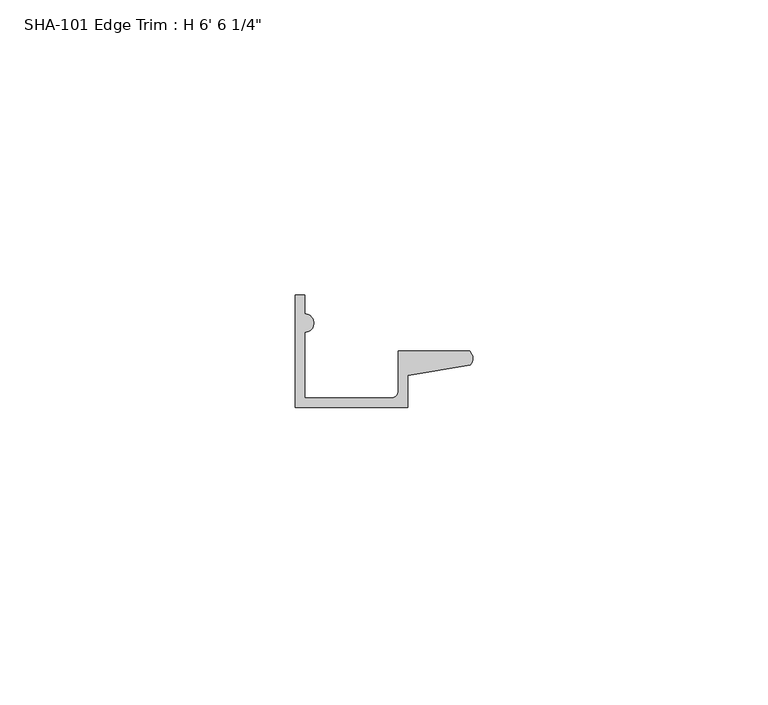
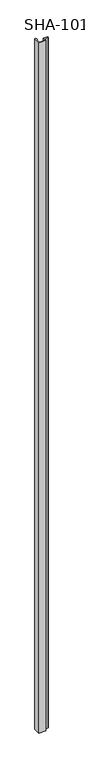
"""IFC4 building model written with IfcOpenShell, lengths in millimetres: proxy geometry."""

from ifc_helpers import new_model, si_unit, point, frame_2d, origin, origin_with_axes, place, context, project, spatial, polyline, circle_curve, trimmed, segment, composite_curve, outline, extrude, source, transform, mapped, element, save


def proxy_91bd60bd(model_context):
    return source(origin(), model_context, "Body", "SweptSolid", [
        extrude(outline(composite_curve([segment(polyline([(1.5748, 12.7127), (1.5748, 1.5748), (16.1798, 1.5748)]), True, "CONTINUOUS"), segment(trimmed(circle_curve(frame_2d((16.1798, 2.8448)), 1.27), [point((16.1798, 1.5748))], [point((17.4498, 2.8448))], True, "CARTESIAN"), True, "CONTINUOUS"), segment(polyline([(17.4498, 2.8448), (17.4498, 9.525), (29.5346031, 9.525)]), True, "CONTINUOUS"), segment(trimmed(circle_curve(frame_2d((28.4438454, 8.3323235)), 1.6162393), [point((29.5346031, 9.525))], [point((29.6006869, 7.2036308))], False, "CARTESIAN"), True, "CONTINUOUS"), segment(polyline([(29.6006869, 7.2036308), (19.0246, 5.392657), (19.0246, 0.0), (0.0, 0.0), (0.0, 19.05), (1.5748, 19.05), (1.5748, 15.8623)]), True, "CONTINUOUS"), segment(trimmed(circle_curve(frame_2d((1.5748, 14.2875)), 1.5748), [point((1.5748, 15.8623))], [point((1.5748, 12.7127))], False, "CARTESIAN"), True, "CONTINUOUS")], self_intersect=False)), origin_with_axes(), (0.0, 0.0, 1.0), 1987.55),
    ])


if __name__ == "__main__":
    model = new_model("IFC4")
    model_context = context("Model", 3, world=origin())
    ifc_project = project(units=[si_unit("LENGTHUNIT", "METRE", prefix="MILLI")], contexts=[model_context])
    site = spatial("IfcSite", under=ifc_project)
    building = spatial("IfcBuilding", under=site)
    placement = place(None, origin())
    proxy_shape = proxy_91bd60bd(model_context)
    element("IfcBuildingElementProxy", 1, Name="SHA-101 Edge Trim : H 6' 6 1/4\"", ObjectType="SHA-101 Edge Trim : H 6' 6 1/4\"", at=placement, inside=building, context=model_context, shape_type="MappedRepresentation", body=[
        mapped(proxy_shape, transform((0.0, 0.0, 0.0), x_axis=(1.0, 0.0, 0.0), y_axis=(0.0, 1.0, 0.0), z_axis=(0.0, 0.0, 1.0))),
    ])
    save(model, "model.ifc")
